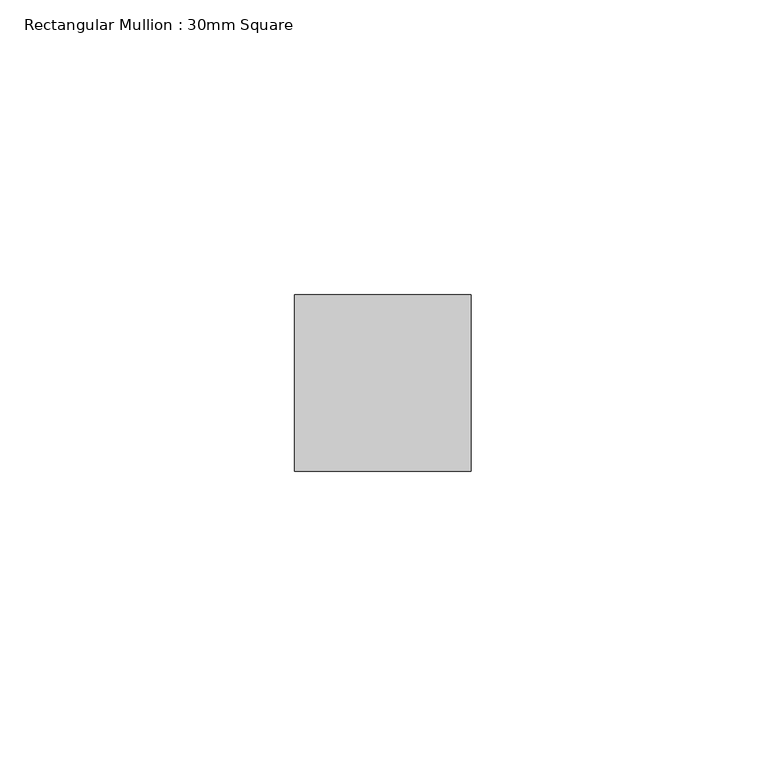
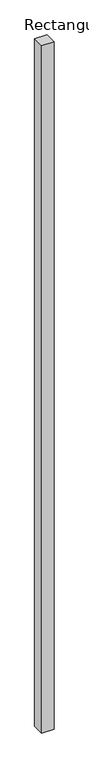
"""IFC4 building model written with IfcOpenShell, lengths in millimetres: member geometry, Rectangular Mullion : 30mm Square."""

from ifc_helpers import new_model, si_unit, frame, origin, place, context, project, spatial, polyline, outline, extrude, source, transform, mapped, element, save


def rectangular_mullion_30mm_square_89227dc2(model_context):
    return source(origin(), model_context, "Body", "SweptSolid", [
        extrude(outline(polyline([(15.0, 15.0), (15.0, -15.0), (-15.0, -15.0), (-15.0, 15.0), (15.0, 15.0)])), frame((0.0, 0.0, -1788.6361161), z_axis=(0.0, 0.0, 1.0), x_axis=(1.0, 0.0, 0.0)), (0.0, 0.0, 1.0), 1788.6361161),
    ])


if __name__ == "__main__":
    model = new_model("IFC4")
    model_context = context("Model", 3, world=origin())
    ifc_project = project(units=[si_unit("LENGTHUNIT", "METRE", prefix="MILLI")], contexts=[model_context])
    site = spatial("IfcSite", under=ifc_project)
    building = spatial("IfcBuilding", under=site)
    placement = place(None, origin())
    rectangular_mullion_30mm_square_shape = rectangular_mullion_30mm_square_89227dc2(model_context)
    element("IfcMember", 1, ObjectType="Rectangular Mullion : 30mm Square", at=placement, inside=building, context=model_context, shape_type="MappedRepresentation", body=[
        mapped(rectangular_mullion_30mm_square_shape, transform((0.0, 0.0, 0.0), x_axis=(1.0, 0.0, 0.0), y_axis=(0.0, 1.0, 0.0), z_axis=(0.0, 0.0, 1.0))),
    ])
    save(model, "model.ifc")
